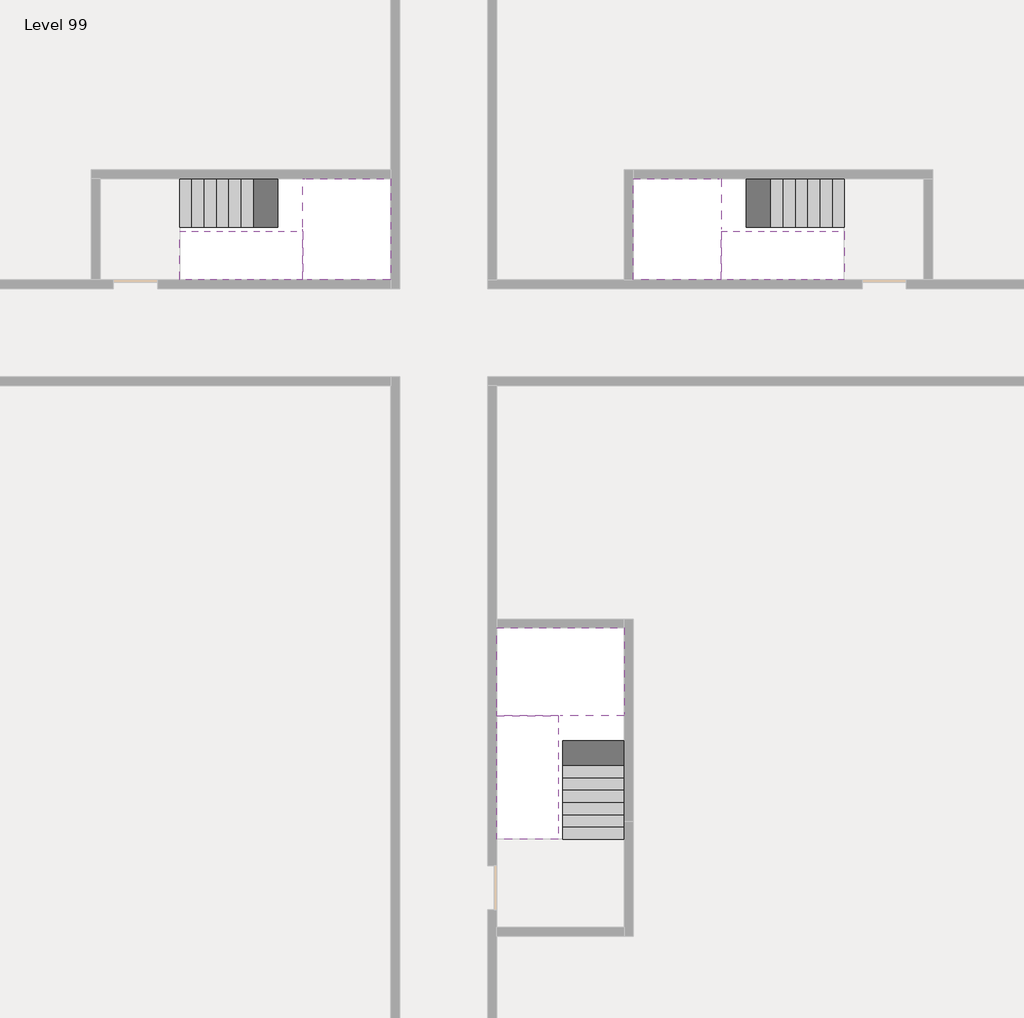
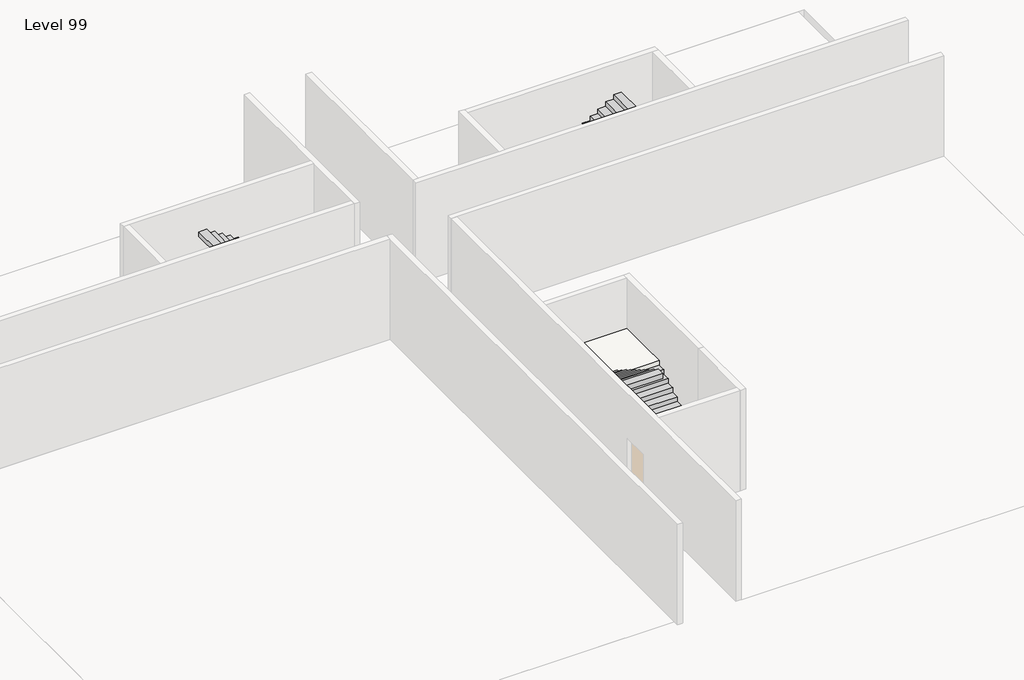
# One storey, part 2 of 2: 6 stair flights, 3 slabs.
"""IFC4 building model written with IfcOpenShell, lengths in millimetres."""

from ifc_helpers import new_model, si_unit, origin, place, context, project, spatial, faceted_brep, element, save

model = new_model("IFC4")

# Units and contexts
model_context = context("Model", 3, world=origin())
ifc_project = project(units=[si_unit("LENGTHUNIT", "METRE", prefix="MILLI")], contexts=[model_context])

# Site, building, storey
site = spatial("IfcSite", under=ifc_project)
building = spatial("IfcBuilding", under=site)
storey = spatial("IfcBuildingStorey", under=building, Name="Level 99", Elevation=372400.0)

# Slabs
placement = place(None, origin())
element("IfcSlab", 1, at=placement, inside=storey, context=model_context, shape_type="Brep", body=[
    faceted_brep([(26890.1058784, -40418.09644, 374300.0), (28290.1058784, -40418.09644, 374300.0), (28290.1058784, -40338.7100038, 374300.0), (28290.1058784, -38418.09644, 374300.0), (25390.1058784, -38418.09644, 374300.0), (25390.1058784, -40217.4828763, 374300.0), (25390.1058784, -40418.09644, 374300.0), (26790.1058784, -40418.09644, 374300.0), (26890.1058784, -40418.09644, 374000.0), (26890.1058784, -40418.09644, 373951.0278478), (28290.1058784, -40418.09644, 373951.0278478), (28290.1058784, -40418.09644, 374127.2727273), (28290.1058784, -40338.7100038, 374000.0), (28290.1058784, -38418.09644, 374000.0), (25390.1058784, -38418.09644, 374000.0), (25390.1058784, -40217.4828763, 374000.0), (25390.1058784, -40418.09644, 374123.7551205), (26790.1058784, -40418.09644, 374123.7551205), (26790.1058784, -40418.09644, 374000.0), (26790.1058784, -40217.4828763, 374000.0), (26890.1058784, -40338.7100038, 374000.0)], [[[0, 1, 2, 3, 4, 5, 6, 7]], [[1, 0, 8, 9, 10, 11]], [[1, 11, 10, 12, 13, 3, 2]], [[4, 3, 13, 14]], [[4, 14, 15, 16, 6, 5]], [[7, 6, 16, 17]], [[0, 7, 17, 18, 8]], [[18, 19, 15, 14, 13, 12, 20, 8]], [[19, 18, 17]], [[20, 12, 10, 9]], [[8, 20, 9]], [[15, 19, 17, 16]]]),
])
element("IfcSlab", 2, at=placement, inside=storey, context=model_context, shape_type="Brep", body=[
    faceted_brep([(20990.1058784, -28218.09644, 374300.0), (20990.1058784, -29318.09644, 374300.0), (20990.1058784, -29418.09644, 374300.0), (20990.1058784, -30518.09644, 374300.0), (21190.7194421, -30518.09644, 374300.0), (22990.1058784, -30518.09644, 374300.0), (22990.1058784, -28218.09644, 374300.0), (21069.4923146, -28218.09644, 374300.0), (20990.1058784, -28218.09644, 374127.2727273), (20990.1058784, -28218.09644, 373951.0278478), (20990.1058784, -29318.09644, 373951.0278478), (20990.1058784, -29318.09644, 374000.0), (20990.1058784, -29418.09644, 374000.0), (20990.1058784, -29418.09644, 374123.7551205), (20990.1058784, -30518.09644, 374123.7551205), (21190.7194421, -30518.09644, 374000.0), (22990.1058784, -30518.09644, 374000.0), (22990.1058784, -28218.09644, 374000.0), (21069.4923146, -28218.09644, 374000.0), (21190.7194421, -29418.09644, 374000.0), (21069.4923146, -29318.09644, 374000.0)], [[[0, 1, 2, 3, 4, 5, 6, 7]], [[1, 0, 8, 9, 10, 11]], [[2, 1, 11, 12, 13]], [[3, 2, 13, 14]], [[3, 14, 15, 16, 5, 4]], [[6, 5, 16, 17]], [[9, 8, 0, 7, 6, 17, 18]], [[19, 12, 11, 20, 18, 17, 16, 15]], [[12, 19, 13]], [[18, 20, 10, 9]], [[20, 11, 10]], [[19, 15, 14, 13]]]),
])
element("IfcSlab", 3, at=placement, inside=storey, context=model_context, shape_type="Brep", body=[
    faceted_brep([(30490.1058784, -29318.09644, 374300.0), (30490.1058784, -28218.09644, 374300.0), (30410.7194421, -28218.09644, 374300.0), (28490.1058784, -28218.09644, 374300.0), (28490.1058784, -30518.09644, 374300.0), (30289.4923146, -30518.09644, 374300.0), (30490.1058784, -30518.09644, 374300.0), (30490.1058784, -29418.09644, 374300.0), (30490.1058784, -29318.09644, 374000.0), (30490.1058784, -29318.09644, 373951.0278478), (30490.1058784, -28218.09644, 373951.0278478), (30490.1058784, -28218.09644, 374127.2727273), (30490.1058784, -29418.09644, 374123.7551205), (30490.1058784, -29418.09644, 374000.0), (30490.1058784, -30518.09644, 374123.7551205), (28490.1058784, -30518.09644, 374000.0), (30289.4923146, -30518.09644, 374000.0), (28490.1058784, -28218.09644, 374000.0), (30410.7194421, -28218.09644, 374000.0), (30289.4923146, -29418.09644, 374000.0), (30410.7194421, -29318.09644, 374000.0)], [[[0, 1, 2, 3, 4, 5, 6, 7]], [[1, 0, 8, 9, 10, 11]], [[0, 7, 12, 13, 8]], [[7, 6, 14, 12]], [[4, 15, 16, 14, 6, 5]], [[4, 3, 17, 15]], [[1, 11, 10, 18, 17, 3, 2]], [[13, 19, 16, 15, 17, 18, 20, 8]], [[20, 18, 10, 9]], [[8, 20, 9]], [[16, 19, 12, 14]], [[19, 13, 12]]]),
])

# Stair flights
element("IfcStairFlight", 4, at=placement, inside=storey, context=model_context, shape_type="Brep", body=[
    faceted_brep([(26890.1058784, -42938.09644, 372572.7272727), (26890.1058784, -43218.09644, 372572.7272727), (28290.1058784, -43218.09644, 372572.7272727), (28290.1058784, -42938.09644, 372572.7272727), (26890.1058784, -42938.09644, 372400.0), (26890.1058784, -43218.09644, 372400.0), (28290.1058784, -43218.09644, 372400.0), (28290.1058784, -42938.09644, 372400.0), (26890.1058784, -42658.09644, 372745.4545455), (26890.1058784, -42938.09644, 372745.4545455), (28290.1058784, -42938.09644, 372745.4545455), (28290.1058784, -42658.09644, 372745.4545455), (26890.1058784, -42658.09644, 372569.209666), (26890.1058784, -42932.3942143, 372400.0), (28290.1058784, -42932.3942143, 372400.0), (28290.1058784, -42658.09644, 372569.209666), (26890.1058784, -42378.09644, 372918.1818182), (26890.1058784, -42658.09644, 372918.1818182), (28290.1058784, -42658.09644, 372918.1818182), (28290.1058784, -42378.09644, 372918.1818182), (26890.1058784, -42378.09644, 372741.9369387), (28290.1058784, -42378.09644, 372741.9369387), (26890.1058784, -42098.09644, 373090.9090909), (26890.1058784, -42378.09644, 373090.9090909), (28290.1058784, -42378.09644, 373090.9090909), (28290.1058784, -42098.09644, 373090.9090909), (26890.1058784, -42098.09644, 372914.6642114), (28290.1058784, -42098.09644, 372914.6642114), (26890.1058784, -41818.09644, 373263.6363636), (26890.1058784, -42098.09644, 373263.6363636), (28290.1058784, -42098.09644, 373263.6363636), (28290.1058784, -41818.09644, 373263.6363636), (26890.1058784, -41818.09644, 373087.3914841), (28290.1058784, -41818.09644, 373087.3914841), (26890.1058784, -41538.09644, 373436.3636364), (26890.1058784, -41818.09644, 373436.3636364), (28290.1058784, -41818.09644, 373436.3636364), (28290.1058784, -41538.09644, 373436.3636364), (26890.1058784, -41538.09644, 373260.1187569), (28290.1058784, -41538.09644, 373260.1187569), (26890.1058784, -41258.09644, 373609.0909091), (26890.1058784, -41538.09644, 373609.0909091), (28290.1058784, -41538.09644, 373609.0909091), (28290.1058784, -41258.09644, 373609.0909091), (26890.1058784, -41258.09644, 373432.8460296), (28290.1058784, -41258.09644, 373432.8460296), (26890.1058784, -40978.09644, 373781.8181818), (26890.1058784, -41258.09644, 373781.8181818), (28290.1058784, -41258.09644, 373781.8181818), (28290.1058784, -40978.09644, 373781.8181818), (26890.1058784, -40978.09644, 373605.5733023), (28290.1058784, -40978.09644, 373605.5733023), (26890.1058784, -40698.09644, 373954.5454545), (26890.1058784, -40978.09644, 373954.5454545), (28290.1058784, -40978.09644, 373954.5454545), (28290.1058784, -40698.09644, 373954.5454545), (26890.1058784, -40698.09644, 373778.3005751), (28290.1058784, -40698.09644, 373778.3005751), (26890.1058784, -40418.09644, 374127.2727273), (26890.1058784, -40698.09644, 374127.2727273), (28290.1058784, -40698.09644, 374127.2727273), (28290.1058784, -40418.09644, 374127.2727273), (26890.1058784, -40418.09644, 374000.0), (26890.1058784, -40418.09644, 373951.0278478), (28290.1058784, -40418.09644, 373951.0278478)], [[[0, 1, 2, 3]], [[1, 0, 4, 5]], [[2, 1, 5, 6]], [[3, 2, 6, 7]], [[8, 9, 10, 11]], [[4, 0, 9, 8, 12, 13]], [[0, 3, 10, 9]], [[3, 7, 14, 15, 11, 10]], [[16, 17, 18, 19]], [[17, 16, 20, 12, 8]], [[8, 11, 18, 17]], [[19, 18, 11, 15, 21]], [[22, 23, 24, 25]], [[23, 22, 26, 20, 16]], [[16, 19, 24, 23]], [[25, 24, 19, 21, 27]], [[28, 29, 30, 31]], [[29, 28, 32, 26, 22]], [[22, 25, 30, 29]], [[31, 30, 25, 27, 33]], [[34, 35, 36, 37]], [[35, 34, 38, 32, 28]], [[28, 31, 36, 35]], [[37, 36, 31, 33, 39]], [[40, 41, 42, 43]], [[41, 40, 44, 38, 34]], [[34, 37, 42, 41]], [[43, 42, 37, 39, 45]], [[46, 47, 48, 49]], [[47, 46, 50, 44, 40]], [[40, 43, 48, 47]], [[49, 48, 43, 45, 51]], [[52, 53, 54, 55]], [[53, 52, 56, 50, 46]], [[46, 49, 54, 53]], [[55, 54, 49, 51, 57]], [[58, 59, 60, 61]], [[59, 58, 62, 63, 56, 52]], [[52, 55, 60, 59]], [[61, 60, 55, 57, 64]], [[58, 61, 64, 63, 62]], [[5, 4, 13, 14, 7, 6]], [[14, 13, 12, 20, 26, 32, 38, 44, 50, 56, 63, 64, 57, 51, 45, 39, 33, 27, 21, 15]]]),
])
element("IfcStairFlight", 5, at=placement, inside=storey, context=model_context, shape_type="Brep", body=[
    faceted_brep([(26790.1058784, -40698.09644, 374472.7272727), (26790.1058784, -40418.09644, 374472.7272727), (25390.1058784, -40418.09644, 374472.7272727), (25390.1058784, -40698.09644, 374472.7272727), (26790.1058784, -40698.09644, 374296.4823932), (26790.1058784, -40418.09644, 374123.7551205), (25390.1058784, -40418.09644, 374123.7551205), (25390.1058784, -40418.09644, 374300.0), (25390.1058784, -40698.09644, 374296.4823932), (26790.1058784, -40978.09644, 374645.4545455), (26790.1058784, -40698.09644, 374645.4545455), (25390.1058784, -40698.09644, 374645.4545455), (25390.1058784, -40978.09644, 374645.4545455), (26790.1058784, -40978.09644, 374469.209666), (25390.1058784, -40978.09644, 374469.209666), (26790.1058784, -41258.09644, 374818.1818182), (26790.1058784, -40978.09644, 374818.1818182), (25390.1058784, -40978.09644, 374818.1818182), (25390.1058784, -41258.09644, 374818.1818182), (26790.1058784, -41258.09644, 374641.9369387), (25390.1058784, -41258.09644, 374641.9369387), (26790.1058784, -41538.09644, 374990.9090909), (26790.1058784, -41258.09644, 374990.9090909), (25390.1058784, -41258.09644, 374990.9090909), (25390.1058784, -41538.09644, 374990.9090909), (26790.1058784, -41538.09644, 374814.6642114), (25390.1058784, -41538.09644, 374814.6642114), (26790.1058784, -41818.09644, 375163.6363636), (26790.1058784, -41538.09644, 375163.6363636), (25390.1058784, -41538.09644, 375163.6363636), (25390.1058784, -41818.09644, 375163.6363636), (26790.1058784, -41818.09644, 374987.3914841), (25390.1058784, -41818.09644, 374987.3914841), (26790.1058784, -42098.09644, 375336.3636364), (26790.1058784, -41818.09644, 375336.3636364), (25390.1058784, -41818.09644, 375336.3636364), (25390.1058784, -42098.09644, 375336.3636364), (26790.1058784, -42098.09644, 375160.1187569), (25390.1058784, -42098.09644, 375160.1187569), (26790.1058784, -42378.09644, 375509.0909091), (26790.1058784, -42098.09644, 375509.0909091), (25390.1058784, -42098.09644, 375509.0909091), (25390.1058784, -42378.09644, 375509.0909091), (26790.1058784, -42378.09644, 375332.8460296), (25390.1058784, -42378.09644, 375332.8460296), (26790.1058784, -42658.09644, 375681.8181818), (26790.1058784, -42378.09644, 375681.8181818), (25390.1058784, -42378.09644, 375681.8181818), (25390.1058784, -42658.09644, 375681.8181818), (26790.1058784, -42658.09644, 375505.5733023), (25390.1058784, -42658.09644, 375505.5733023), (26790.1058784, -42938.09644, 375854.5454545), (26790.1058784, -42658.09644, 375854.5454545), (25390.1058784, -42658.09644, 375854.5454545), (25390.1058784, -42938.09644, 375854.5454545), (26790.1058784, -42938.09644, 375678.3005751), (25390.1058784, -42938.09644, 375678.3005751), (26790.1058784, -43218.09644, 376027.2727273), (26790.1058784, -42938.09644, 376027.2727273), (25390.1058784, -42938.09644, 376027.2727273), (25390.1058784, -43218.09644, 376027.2727273), (26790.1058784, -43218.09644, 375851.0278478), (25390.1058784, -43218.09644, 375851.0278478)], [[[0, 1, 2, 3]], [[1, 0, 4, 5]], [[2, 1, 5, 6, 7]], [[3, 2, 7, 6, 8]], [[9, 10, 11, 12]], [[10, 9, 13, 4, 0]], [[11, 10, 0, 3]], [[12, 11, 3, 8, 14]], [[15, 16, 17, 18]], [[16, 15, 19, 13, 9]], [[17, 16, 9, 12]], [[18, 17, 12, 14, 20]], [[21, 22, 23, 24]], [[22, 21, 25, 19, 15]], [[23, 22, 15, 18]], [[24, 23, 18, 20, 26]], [[27, 28, 29, 30]], [[28, 27, 31, 25, 21]], [[29, 28, 21, 24]], [[30, 29, 24, 26, 32]], [[33, 34, 35, 36]], [[34, 33, 37, 31, 27]], [[35, 34, 27, 30]], [[36, 35, 30, 32, 38]], [[39, 40, 41, 42]], [[40, 39, 43, 37, 33]], [[41, 40, 33, 36]], [[42, 41, 36, 38, 44]], [[45, 46, 47, 48]], [[46, 45, 49, 43, 39]], [[47, 46, 39, 42]], [[48, 47, 42, 44, 50]], [[51, 52, 53, 54]], [[52, 51, 55, 49, 45]], [[53, 52, 45, 48]], [[54, 53, 48, 50, 56]], [[57, 58, 59, 60]], [[58, 57, 61, 55, 51]], [[59, 58, 51, 54]], [[60, 59, 54, 56, 62]], [[57, 60, 62, 61]], [[5, 4, 13, 19, 25, 31, 37, 43, 49, 55, 61, 62, 56, 50, 44, 38, 32, 26, 20, 14, 8, 6]]]),
])
element("IfcStairFlight", 6, at=placement, inside=storey, context=model_context, shape_type="Brep", body=[
    faceted_brep([(18470.1058784, -28218.09644, 372572.7272727), (18190.1058784, -28218.09644, 372572.7272727), (18190.1058784, -29318.09644, 372572.7272727), (18470.1058784, -29318.09644, 372572.7272727), (18470.1058784, -28218.09644, 372400.0), (18190.1058784, -28218.09644, 372400.0), (18190.1058784, -29318.09644, 372400.0), (18470.1058784, -29318.09644, 372400.0), (18750.1058784, -28218.09644, 372745.4545455), (18470.1058784, -28218.09644, 372745.4545455), (18470.1058784, -29318.09644, 372745.4545455), (18750.1058784, -29318.09644, 372745.4545455), (18750.1058784, -28218.09644, 372569.209666), (18475.8081041, -28218.09644, 372400.0), (18475.8081041, -29318.09644, 372400.0), (18750.1058784, -29318.09644, 372569.209666), (19030.1058784, -28218.09644, 372918.1818182), (18750.1058784, -28218.09644, 372918.1818182), (18750.1058784, -29318.09644, 372918.1818182), (19030.1058784, -29318.09644, 372918.1818182), (19030.1058784, -28218.09644, 372741.9369387), (19030.1058784, -29318.09644, 372741.9369387), (19310.1058784, -28218.09644, 373090.9090909), (19030.1058784, -28218.09644, 373090.9090909), (19030.1058784, -29318.09644, 373090.9090909), (19310.1058784, -29318.09644, 373090.9090909), (19310.1058784, -28218.09644, 372914.6642114), (19310.1058784, -29318.09644, 372914.6642114), (19590.1058784, -28218.09644, 373263.6363636), (19310.1058784, -28218.09644, 373263.6363636), (19310.1058784, -29318.09644, 373263.6363636), (19590.1058784, -29318.09644, 373263.6363636), (19590.1058784, -28218.09644, 373087.3914841), (19590.1058784, -29318.09644, 373087.3914841), (19870.1058784, -28218.09644, 373436.3636364), (19590.1058784, -28218.09644, 373436.3636364), (19590.1058784, -29318.09644, 373436.3636364), (19870.1058784, -29318.09644, 373436.3636364), (19870.1058784, -28218.09644, 373260.1187569), (19870.1058784, -29318.09644, 373260.1187569), (20150.1058784, -28218.09644, 373609.0909091), (19870.1058784, -28218.09644, 373609.0909091), (19870.1058784, -29318.09644, 373609.0909091), (20150.1058784, -29318.09644, 373609.0909091), (20150.1058784, -28218.09644, 373432.8460296), (20150.1058784, -29318.09644, 373432.8460296), (20430.1058784, -28218.09644, 373781.8181818), (20150.1058784, -28218.09644, 373781.8181818), (20150.1058784, -29318.09644, 373781.8181818), (20430.1058784, -29318.09644, 373781.8181818), (20430.1058784, -28218.09644, 373605.5733023), (20430.1058784, -29318.09644, 373605.5733023), (20710.1058784, -28218.09644, 373954.5454545), (20430.1058784, -28218.09644, 373954.5454545), (20430.1058784, -29318.09644, 373954.5454545), (20710.1058784, -29318.09644, 373954.5454545), (20710.1058784, -28218.09644, 373778.3005751), (20710.1058784, -29318.09644, 373778.3005751), (20990.1058784, -28218.09644, 374127.2727273), (20710.1058784, -28218.09644, 374127.2727273), (20710.1058784, -29318.09644, 374127.2727273), (20990.1058784, -29318.09644, 374127.2727273), (20990.1058784, -28218.09644, 373951.0278478), (20990.1058784, -29318.09644, 373951.0278478), (20990.1058784, -29318.09644, 374000.0)], [[[0, 1, 2, 3]], [[1, 0, 4, 5]], [[2, 1, 5, 6]], [[3, 2, 6, 7]], [[8, 9, 10, 11]], [[4, 0, 9, 8, 12, 13]], [[0, 3, 10, 9]], [[3, 7, 14, 15, 11, 10]], [[16, 17, 18, 19]], [[17, 16, 20, 12, 8]], [[8, 11, 18, 17]], [[19, 18, 11, 15, 21]], [[22, 23, 24, 25]], [[23, 22, 26, 20, 16]], [[16, 19, 24, 23]], [[25, 24, 19, 21, 27]], [[28, 29, 30, 31]], [[29, 28, 32, 26, 22]], [[22, 25, 30, 29]], [[31, 30, 25, 27, 33]], [[34, 35, 36, 37]], [[35, 34, 38, 32, 28]], [[28, 31, 36, 35]], [[37, 36, 31, 33, 39]], [[40, 41, 42, 43]], [[41, 40, 44, 38, 34]], [[34, 37, 42, 41]], [[43, 42, 37, 39, 45]], [[46, 47, 48, 49]], [[47, 46, 50, 44, 40]], [[40, 43, 48, 47]], [[49, 48, 43, 45, 51]], [[52, 53, 54, 55]], [[53, 52, 56, 50, 46]], [[46, 49, 54, 53]], [[55, 54, 49, 51, 57]], [[58, 59, 60, 61]], [[59, 58, 62, 56, 52]], [[52, 55, 60, 59]], [[61, 60, 55, 57, 63, 64]], [[58, 61, 64, 63, 62]], [[5, 4, 13, 14, 7, 6]], [[14, 13, 12, 20, 26, 32, 38, 44, 50, 56, 62, 63, 57, 51, 45, 39, 33, 27, 21, 15]]]),
])
element("IfcStairFlight", 7, at=placement, inside=storey, context=model_context, shape_type="Brep", body=[
    faceted_brep([(20710.1058784, -30518.09644, 374472.7272727), (20990.1058784, -30518.09644, 374472.7272727), (20990.1058784, -29418.09644, 374472.7272727), (20710.1058784, -29418.09644, 374472.7272727), (20710.1058784, -30518.09644, 374296.4823932), (20990.1058784, -30518.09644, 374123.7551205), (20990.1058784, -30518.09644, 374300.0), (20990.1058784, -29418.09644, 374123.7551205), (20710.1058784, -29418.09644, 374296.4823932), (20430.1058784, -30518.09644, 374645.4545455), (20710.1058784, -30518.09644, 374645.4545455), (20710.1058784, -29418.09644, 374645.4545455), (20430.1058784, -29418.09644, 374645.4545455), (20430.1058784, -30518.09644, 374469.209666), (20430.1058784, -29418.09644, 374469.209666), (20150.1058784, -30518.09644, 374818.1818182), (20430.1058784, -30518.09644, 374818.1818182), (20430.1058784, -29418.09644, 374818.1818182), (20150.1058784, -29418.09644, 374818.1818182), (20150.1058784, -30518.09644, 374641.9369387), (20150.1058784, -29418.09644, 374641.9369387), (19870.1058784, -30518.09644, 374990.9090909), (20150.1058784, -30518.09644, 374990.9090909), (20150.1058784, -29418.09644, 374990.9090909), (19870.1058784, -29418.09644, 374990.9090909), (19870.1058784, -30518.09644, 374814.6642114), (19870.1058784, -29418.09644, 374814.6642114), (19590.1058784, -30518.09644, 375163.6363636), (19870.1058784, -30518.09644, 375163.6363636), (19870.1058784, -29418.09644, 375163.6363636), (19590.1058784, -29418.09644, 375163.6363636), (19590.1058784, -30518.09644, 374987.3914841), (19590.1058784, -29418.09644, 374987.3914841), (19310.1058784, -30518.09644, 375336.3636364), (19590.1058784, -30518.09644, 375336.3636364), (19590.1058784, -29418.09644, 375336.3636364), (19310.1058784, -29418.09644, 375336.3636364), (19310.1058784, -30518.09644, 375160.1187569), (19310.1058784, -29418.09644, 375160.1187569), (19030.1058784, -30518.09644, 375509.0909091), (19310.1058784, -30518.09644, 375509.0909091), (19310.1058784, -29418.09644, 375509.0909091), (19030.1058784, -29418.09644, 375509.0909091), (19030.1058784, -30518.09644, 375332.8460296), (19030.1058784, -29418.09644, 375332.8460296), (18750.1058784, -30518.09644, 375681.8181818), (19030.1058784, -30518.09644, 375681.8181818), (19030.1058784, -29418.09644, 375681.8181818), (18750.1058784, -29418.09644, 375681.8181818), (18750.1058784, -30518.09644, 375505.5733023), (18750.1058784, -29418.09644, 375505.5733023), (18470.1058784, -30518.09644, 375854.5454545), (18750.1058784, -30518.09644, 375854.5454545), (18750.1058784, -29418.09644, 375854.5454545), (18470.1058784, -29418.09644, 375854.5454545), (18470.1058784, -30518.09644, 375678.3005751), (18470.1058784, -29418.09644, 375678.3005751), (18190.1058784, -30518.09644, 376027.2727273), (18470.1058784, -30518.09644, 376027.2727273), (18470.1058784, -29418.09644, 376027.2727273), (18190.1058784, -29418.09644, 376027.2727273), (18190.1058784, -30518.09644, 375851.0278478), (18190.1058784, -29418.09644, 375851.0278478)], [[[0, 1, 2, 3]], [[1, 0, 4, 5, 6]], [[2, 1, 6, 5, 7]], [[3, 2, 7, 8]], [[9, 10, 11, 12]], [[10, 9, 13, 4, 0]], [[11, 10, 0, 3]], [[12, 11, 3, 8, 14]], [[15, 16, 17, 18]], [[16, 15, 19, 13, 9]], [[17, 16, 9, 12]], [[18, 17, 12, 14, 20]], [[21, 22, 23, 24]], [[22, 21, 25, 19, 15]], [[23, 22, 15, 18]], [[24, 23, 18, 20, 26]], [[27, 28, 29, 30]], [[28, 27, 31, 25, 21]], [[29, 28, 21, 24]], [[30, 29, 24, 26, 32]], [[33, 34, 35, 36]], [[34, 33, 37, 31, 27]], [[35, 34, 27, 30]], [[36, 35, 30, 32, 38]], [[39, 40, 41, 42]], [[40, 39, 43, 37, 33]], [[41, 40, 33, 36]], [[42, 41, 36, 38, 44]], [[45, 46, 47, 48]], [[46, 45, 49, 43, 39]], [[47, 46, 39, 42]], [[48, 47, 42, 44, 50]], [[51, 52, 53, 54]], [[52, 51, 55, 49, 45]], [[53, 52, 45, 48]], [[54, 53, 48, 50, 56]], [[57, 58, 59, 60]], [[58, 57, 61, 55, 51]], [[59, 58, 51, 54]], [[60, 59, 54, 56, 62]], [[57, 60, 62, 61]], [[5, 4, 13, 19, 25, 31, 37, 43, 49, 55, 61, 62, 56, 50, 44, 38, 32, 26, 20, 14, 8, 7]]]),
])
element("IfcStairFlight", 8, at=placement, inside=storey, context=model_context, shape_type="Brep", body=[
    faceted_brep([(33010.1058784, -29318.09644, 372572.7272727), (33290.1058784, -29318.09644, 372572.7272727), (33290.1058784, -28218.09644, 372572.7272727), (33010.1058784, -28218.09644, 372572.7272727), (33290.1058784, -28218.09644, 372400.0), (33010.1058784, -28218.09644, 372400.0), (33290.1058784, -29318.09644, 372400.0), (33010.1058784, -29318.09644, 372400.0), (32730.1058784, -29318.09644, 372745.4545455), (33010.1058784, -29318.09644, 372745.4545455), (33010.1058784, -28218.09644, 372745.4545455), (32730.1058784, -28218.09644, 372745.4545455), (33004.4036527, -28218.09644, 372400.0), (32730.1058784, -28218.09644, 372569.209666), (32730.1058784, -29318.09644, 372569.209666), (33004.4036527, -29318.09644, 372400.0), (32450.1058784, -29318.09644, 372918.1818182), (32730.1058784, -29318.09644, 372918.1818182), (32730.1058784, -28218.09644, 372918.1818182), (32450.1058784, -28218.09644, 372918.1818182), (32450.1058784, -28218.09644, 372741.9369387), (32450.1058784, -29318.09644, 372741.9369387), (32170.1058784, -29318.09644, 373090.9090909), (32450.1058784, -29318.09644, 373090.9090909), (32450.1058784, -28218.09644, 373090.9090909), (32170.1058784, -28218.09644, 373090.9090909), (32170.1058784, -28218.09644, 372914.6642114), (32170.1058784, -29318.09644, 372914.6642114), (31890.1058784, -29318.09644, 373263.6363636), (32170.1058784, -29318.09644, 373263.6363636), (32170.1058784, -28218.09644, 373263.6363636), (31890.1058784, -28218.09644, 373263.6363636), (31890.1058784, -28218.09644, 373087.3914841), (31890.1058784, -29318.09644, 373087.3914841), (31610.1058784, -29318.09644, 373436.3636364), (31890.1058784, -29318.09644, 373436.3636364), (31890.1058784, -28218.09644, 373436.3636364), (31610.1058784, -28218.09644, 373436.3636364), (31610.1058784, -28218.09644, 373260.1187569), (31610.1058784, -29318.09644, 373260.1187569), (31330.1058784, -29318.09644, 373609.0909091), (31610.1058784, -29318.09644, 373609.0909091), (31610.1058784, -28218.09644, 373609.0909091), (31330.1058784, -28218.09644, 373609.0909091), (31330.1058784, -28218.09644, 373432.8460296), (31330.1058784, -29318.09644, 373432.8460296), (31050.1058784, -29318.09644, 373781.8181818), (31330.1058784, -29318.09644, 373781.8181818), (31330.1058784, -28218.09644, 373781.8181818), (31050.1058784, -28218.09644, 373781.8181818), (31050.1058784, -28218.09644, 373605.5733023), (31050.1058784, -29318.09644, 373605.5733023), (30770.1058784, -29318.09644, 373954.5454545), (31050.1058784, -29318.09644, 373954.5454545), (31050.1058784, -28218.09644, 373954.5454545), (30770.1058784, -28218.09644, 373954.5454545), (30770.1058784, -28218.09644, 373778.3005751), (30770.1058784, -29318.09644, 373778.3005751), (30490.1058784, -29318.09644, 374127.2727273), (30770.1058784, -29318.09644, 374127.2727273), (30770.1058784, -28218.09644, 374127.2727273), (30490.1058784, -28218.09644, 374127.2727273), (30490.1058784, -28218.09644, 373951.0278478), (30490.1058784, -29318.09644, 374000.0), (30490.1058784, -29318.09644, 373951.0278478)], [[[0, 1, 2, 3]], [[3, 2, 4, 5]], [[2, 1, 6, 4]], [[1, 0, 7, 6]], [[8, 9, 10, 11]], [[3, 5, 12, 13, 11, 10]], [[0, 3, 10, 9]], [[7, 0, 9, 8, 14, 15]], [[16, 17, 18, 19]], [[19, 18, 11, 13, 20]], [[8, 11, 18, 17]], [[17, 16, 21, 14, 8]], [[22, 23, 24, 25]], [[25, 24, 19, 20, 26]], [[16, 19, 24, 23]], [[23, 22, 27, 21, 16]], [[28, 29, 30, 31]], [[31, 30, 25, 26, 32]], [[22, 25, 30, 29]], [[29, 28, 33, 27, 22]], [[34, 35, 36, 37]], [[37, 36, 31, 32, 38]], [[28, 31, 36, 35]], [[35, 34, 39, 33, 28]], [[40, 41, 42, 43]], [[43, 42, 37, 38, 44]], [[34, 37, 42, 41]], [[41, 40, 45, 39, 34]], [[46, 47, 48, 49]], [[49, 48, 43, 44, 50]], [[40, 43, 48, 47]], [[47, 46, 51, 45, 40]], [[52, 53, 54, 55]], [[55, 54, 49, 50, 56]], [[46, 49, 54, 53]], [[53, 52, 57, 51, 46]], [[58, 59, 60, 61]], [[61, 60, 55, 56, 62]], [[52, 55, 60, 59]], [[59, 58, 63, 64, 57, 52]], [[58, 61, 62, 64, 63]], [[6, 7, 15, 12, 5, 4]], [[12, 15, 14, 21, 27, 33, 39, 45, 51, 57, 64, 62, 56, 50, 44, 38, 32, 26, 20, 13]]]),
])
element("IfcStairFlight", 9, at=placement, inside=storey, context=model_context, shape_type="Brep", body=[
    faceted_brep([(30770.1058784, -29418.09644, 374472.7272727), (30490.1058784, -29418.09644, 374472.7272727), (30490.1058784, -30518.09644, 374472.7272727), (30770.1058784, -30518.09644, 374472.7272727), (30490.1058784, -30518.09644, 374300.0), (30490.1058784, -30518.09644, 374123.7551205), (30770.1058784, -30518.09644, 374296.4823932), (30490.1058784, -29418.09644, 374123.7551205), (30770.1058784, -29418.09644, 374296.4823932), (31050.1058784, -29418.09644, 374645.4545455), (30770.1058784, -29418.09644, 374645.4545455), (30770.1058784, -30518.09644, 374645.4545455), (31050.1058784, -30518.09644, 374645.4545455), (31050.1058784, -30518.09644, 374469.209666), (31050.1058784, -29418.09644, 374469.209666), (31330.1058784, -29418.09644, 374818.1818182), (31050.1058784, -29418.09644, 374818.1818182), (31050.1058784, -30518.09644, 374818.1818182), (31330.1058784, -30518.09644, 374818.1818182), (31330.1058784, -30518.09644, 374641.9369387), (31330.1058784, -29418.09644, 374641.9369387), (31610.1058784, -29418.09644, 374990.9090909), (31330.1058784, -29418.09644, 374990.9090909), (31330.1058784, -30518.09644, 374990.9090909), (31610.1058784, -30518.09644, 374990.9090909), (31610.1058784, -30518.09644, 374814.6642114), (31610.1058784, -29418.09644, 374814.6642114), (31890.1058784, -29418.09644, 375163.6363636), (31610.1058784, -29418.09644, 375163.6363636), (31610.1058784, -30518.09644, 375163.6363636), (31890.1058784, -30518.09644, 375163.6363636), (31890.1058784, -30518.09644, 374987.3914841), (31890.1058784, -29418.09644, 374987.3914841), (32170.1058784, -29418.09644, 375336.3636364), (31890.1058784, -29418.09644, 375336.3636364), (31890.1058784, -30518.09644, 375336.3636364), (32170.1058784, -30518.09644, 375336.3636364), (32170.1058784, -30518.09644, 375160.1187569), (32170.1058784, -29418.09644, 375160.1187569), (32450.1058784, -29418.09644, 375509.0909091), (32170.1058784, -29418.09644, 375509.0909091), (32170.1058784, -30518.09644, 375509.0909091), (32450.1058784, -30518.09644, 375509.0909091), (32450.1058784, -30518.09644, 375332.8460296), (32450.1058784, -29418.09644, 375332.8460296), (32730.1058784, -29418.09644, 375681.8181818), (32450.1058784, -29418.09644, 375681.8181818), (32450.1058784, -30518.09644, 375681.8181818), (32730.1058784, -30518.09644, 375681.8181818), (32730.1058784, -30518.09644, 375505.5733023), (32730.1058784, -29418.09644, 375505.5733023), (33010.1058784, -29418.09644, 375854.5454545), (32730.1058784, -29418.09644, 375854.5454545), (32730.1058784, -30518.09644, 375854.5454545), (33010.1058784, -30518.09644, 375854.5454545), (33010.1058784, -30518.09644, 375678.3005751), (33010.1058784, -29418.09644, 375678.3005751), (33290.1058784, -29418.09644, 376027.2727273), (33010.1058784, -29418.09644, 376027.2727273), (33010.1058784, -30518.09644, 376027.2727273), (33290.1058784, -30518.09644, 376027.2727273), (33290.1058784, -30518.09644, 375851.0278478), (33290.1058784, -29418.09644, 375851.0278478)], [[[0, 1, 2, 3]], [[3, 2, 4, 5, 6]], [[2, 1, 7, 5, 4]], [[1, 0, 8, 7]], [[9, 10, 11, 12]], [[12, 11, 3, 6, 13]], [[11, 10, 0, 3]], [[10, 9, 14, 8, 0]], [[15, 16, 17, 18]], [[18, 17, 12, 13, 19]], [[17, 16, 9, 12]], [[16, 15, 20, 14, 9]], [[21, 22, 23, 24]], [[24, 23, 18, 19, 25]], [[23, 22, 15, 18]], [[22, 21, 26, 20, 15]], [[27, 28, 29, 30]], [[30, 29, 24, 25, 31]], [[29, 28, 21, 24]], [[28, 27, 32, 26, 21]], [[33, 34, 35, 36]], [[36, 35, 30, 31, 37]], [[35, 34, 27, 30]], [[34, 33, 38, 32, 27]], [[39, 40, 41, 42]], [[42, 41, 36, 37, 43]], [[41, 40, 33, 36]], [[40, 39, 44, 38, 33]], [[45, 46, 47, 48]], [[48, 47, 42, 43, 49]], [[47, 46, 39, 42]], [[46, 45, 50, 44, 39]], [[51, 52, 53, 54]], [[54, 53, 48, 49, 55]], [[53, 52, 45, 48]], [[52, 51, 56, 50, 45]], [[57, 58, 59, 60]], [[60, 59, 54, 55, 61]], [[59, 58, 51, 54]], [[58, 57, 62, 56, 51]], [[57, 60, 61, 62]], [[7, 8, 14, 20, 26, 32, 38, 44, 50, 56, 62, 61, 55, 49, 43, 37, 31, 25, 19, 13, 6, 5]]]),
])

save(model, "model.ifc")
